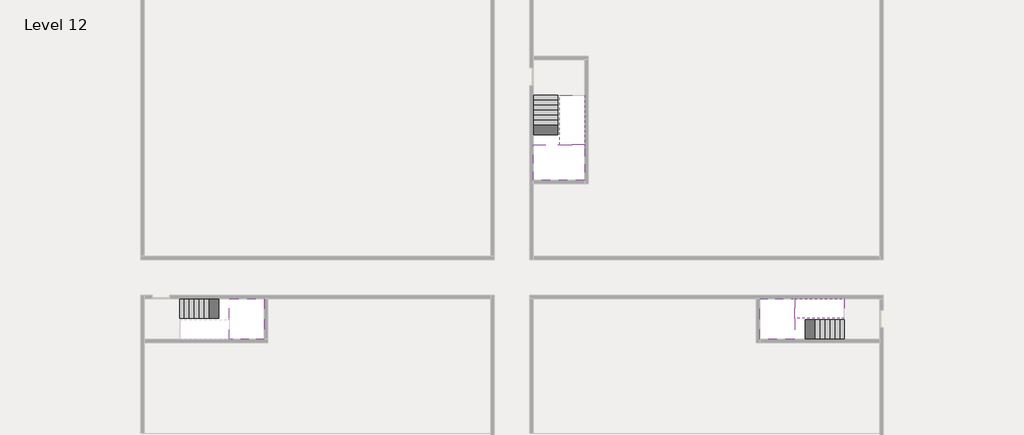
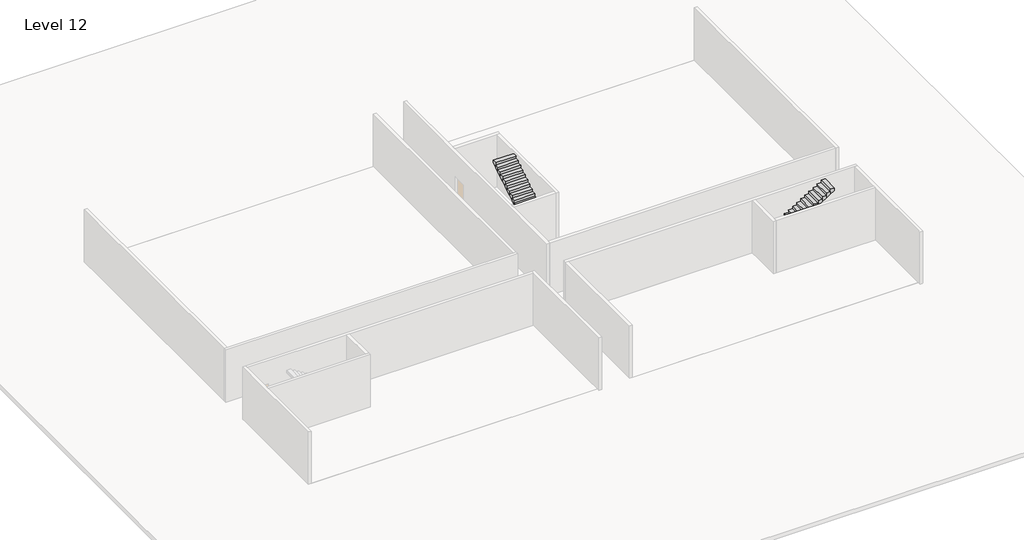
# One storey, part 2 of 2: 5 stair flights, 3 slabs.
"""IFC4 building model written with IfcOpenShell, lengths in millimetres."""

from ifc_helpers import new_model, si_unit, origin, place, context, project, spatial, faceted_brep, element, save

model = new_model("IFC4")

# Units and contexts
model_context = context("Model", 3, world=origin())
ifc_project = project(units=[si_unit("LENGTHUNIT", "METRE", prefix="MILLI")], contexts=[model_context])

# Site, building, storey
site = spatial("IfcSite", under=ifc_project)
building = spatial("IfcBuilding", under=site)
storey = spatial("IfcBuildingStorey", under=building, Name="Level 12", Elevation=41800.0)

# Slabs
placement = place(None, origin())
element("IfcSlab", 1, at=placement, inside=storey, context=model_context, shape_type="Brep", body=[
    faceted_brep([(8190.1058784, -42918.09644, 43700.0), (8190.1058784, -44018.09644, 43700.0), (8190.1058784, -44118.09644, 43700.0), (8190.1058784, -45218.09644, 43700.0), (8390.7194421, -45218.09644, 43700.0), (10190.1058784, -45218.09644, 43700.0), (10190.1058784, -42918.09644, 43700.0), (8269.4923146, -42918.09644, 43700.0), (8190.1058784, -42918.09644, 43527.2727273), (8190.1058784, -42918.09644, 43351.0278478), (8190.1058784, -44018.09644, 43351.0278478), (8190.1058784, -44018.09644, 43400.0), (8190.1058784, -44118.09644, 43400.0), (8190.1058784, -44118.09644, 43523.7551205), (8190.1058784, -45218.09644, 43523.7551205), (8390.7194421, -45218.09644, 43400.0), (10190.1058784, -45218.09644, 43400.0), (10190.1058784, -42918.09644, 43400.0), (8269.4923146, -42918.09644, 43400.0), (8390.7194421, -44118.09644, 43400.0), (8269.4923146, -44018.09644, 43400.0)], [[[0, 1, 2, 3, 4, 5, 6, 7]], [[1, 0, 8, 9, 10, 11]], [[2, 1, 11, 12, 13]], [[3, 2, 13, 14]], [[3, 14, 15, 16, 5, 4]], [[6, 5, 16, 17]], [[9, 8, 0, 7, 6, 17, 18]], [[19, 12, 11, 20, 18, 17, 16, 15]], [[12, 19, 13]], [[18, 20, 10, 9]], [[20, 11, 10]], [[19, 15, 14, 13]]]),
])
element("IfcSlab", 2, at=placement, inside=storey, context=model_context, shape_type="Brep", body=[
    faceted_brep([(40190.1058784, -45218.09644, 43700.0), (40190.1058784, -44118.09644, 43700.0), (40190.1058784, -44018.09644, 43700.0), (40190.1058784, -42918.09644, 43700.0), (39989.4923146, -42918.09644, 43700.0), (38190.1058784, -42918.09644, 43700.0), (38190.1058784, -45218.09644, 43700.0), (40110.7194421, -45218.09644, 43700.0), (40190.1058784, -45218.09644, 43527.2727273), (40190.1058784, -45218.09644, 43351.0278478), (40190.1058784, -44118.09644, 43351.0278478), (40190.1058784, -44118.09644, 43400.0), (40190.1058784, -44018.09644, 43400.0), (40190.1058784, -44018.09644, 43523.7551205), (40190.1058784, -42918.09644, 43523.7551205), (39989.4923146, -42918.09644, 43400.0), (38190.1058784, -42918.09644, 43400.0), (38190.1058784, -45218.09644, 43400.0), (40110.7194421, -45218.09644, 43400.0), (39989.4923146, -44018.09644, 43400.0), (40110.7194421, -44118.09644, 43400.0)], [[[0, 1, 2, 3, 4, 5, 6, 7]], [[1, 0, 8, 9, 10, 11]], [[2, 1, 11, 12, 13]], [[3, 2, 13, 14]], [[3, 14, 15, 16, 5, 4]], [[6, 5, 16, 17]], [[9, 8, 0, 7, 6, 17, 18]], [[19, 12, 11, 20, 18, 17, 16, 15]], [[12, 19, 13]], [[18, 20, 10, 9]], [[20, 11, 10]], [[19, 15, 14, 13]]]),
])
element("IfcSlab", 3, at=placement, inside=storey, context=model_context, shape_type="Brep", body=[
    faceted_brep([(26790.1058784, -34218.09644, 43700.0), (25390.1058784, -34218.09644, 43700.0), (25390.1058784, -34297.4828763, 43700.0), (25390.1058784, -36218.09644, 43700.0), (28290.1058784, -36218.09644, 43700.0), (28290.1058784, -34418.7100038, 43700.0), (28290.1058784, -34218.09644, 43700.0), (26890.1058784, -34218.09644, 43700.0), (26790.1058784, -34218.09644, 43400.0), (26790.1058784, -34218.09644, 43351.0278478), (25390.1058784, -34218.09644, 43351.0278478), (25390.1058784, -34218.09644, 43527.2727273), (25390.1058784, -34297.4828763, 43400.0), (25390.1058784, -36218.09644, 43400.0), (28290.1058784, -36218.09644, 43400.0), (28290.1058784, -34418.7100038, 43400.0), (28290.1058784, -34218.09644, 43523.7551205), (26890.1058784, -34218.09644, 43523.7551205), (26890.1058784, -34218.09644, 43400.0), (26890.1058784, -34418.7100038, 43400.0), (26790.1058784, -34297.4828763, 43400.0)], [[[0, 1, 2, 3, 4, 5, 6, 7]], [[1, 0, 8, 9, 10, 11]], [[1, 11, 10, 12, 13, 3, 2]], [[4, 3, 13, 14]], [[4, 14, 15, 16, 6, 5]], [[7, 6, 16, 17]], [[0, 7, 17, 18, 8]], [[18, 19, 15, 14, 13, 12, 20, 8]], [[19, 18, 17]], [[20, 12, 10, 9]], [[8, 20, 9]], [[15, 19, 17, 16]]]),
])

# Stair flights
element("IfcStairFlight", 4, at=placement, inside=storey, context=model_context, shape_type="Brep", body=[
    faceted_brep([(5670.1058784, -42918.09644, 41972.7272727), (5390.1058784, -42918.09644, 41972.7272727), (5390.1058784, -44018.09644, 41972.7272727), (5670.1058784, -44018.09644, 41972.7272727), (5670.1058784, -42918.09644, 41800.0), (5390.1058784, -42918.09644, 41800.0), (5390.1058784, -44018.09644, 41800.0), (5670.1058784, -44018.09644, 41800.0), (5950.1058784, -42918.09644, 42145.4545455), (5670.1058784, -42918.09644, 42145.4545455), (5670.1058784, -44018.09644, 42145.4545455), (5950.1058784, -44018.09644, 42145.4545455), (5950.1058784, -42918.09644, 41969.209666), (5675.8081041, -42918.09644, 41800.0), (5675.8081041, -44018.09644, 41800.0), (5950.1058784, -44018.09644, 41969.209666), (6230.1058784, -42918.09644, 42318.1818182), (5950.1058784, -42918.09644, 42318.1818182), (5950.1058784, -44018.09644, 42318.1818182), (6230.1058784, -44018.09644, 42318.1818182), (6230.1058784, -42918.09644, 42141.9369387), (6230.1058784, -44018.09644, 42141.9369387), (6510.1058784, -42918.09644, 42490.9090909), (6230.1058784, -42918.09644, 42490.9090909), (6230.1058784, -44018.09644, 42490.9090909), (6510.1058784, -44018.09644, 42490.9090909), (6510.1058784, -42918.09644, 42314.6642114), (6510.1058784, -44018.09644, 42314.6642114), (6790.1058784, -42918.09644, 42663.6363636), (6510.1058784, -42918.09644, 42663.6363636), (6510.1058784, -44018.09644, 42663.6363636), (6790.1058784, -44018.09644, 42663.6363636), (6790.1058784, -42918.09644, 42487.3914841), (6790.1058784, -44018.09644, 42487.3914841), (7070.1058784, -42918.09644, 42836.3636364), (6790.1058784, -42918.09644, 42836.3636364), (6790.1058784, -44018.09644, 42836.3636364), (7070.1058784, -44018.09644, 42836.3636364), (7070.1058784, -42918.09644, 42660.1187569), (7070.1058784, -44018.09644, 42660.1187569), (7350.1058784, -42918.09644, 43009.0909091), (7070.1058784, -42918.09644, 43009.0909091), (7070.1058784, -44018.09644, 43009.0909091), (7350.1058784, -44018.09644, 43009.0909091), (7350.1058784, -42918.09644, 42832.8460296), (7350.1058784, -44018.09644, 42832.8460296), (7630.1058784, -42918.09644, 43181.8181818), (7350.1058784, -42918.09644, 43181.8181818), (7350.1058784, -44018.09644, 43181.8181818), (7630.1058784, -44018.09644, 43181.8181818), (7630.1058784, -42918.09644, 43005.5733023), (7630.1058784, -44018.09644, 43005.5733023), (7910.1058784, -42918.09644, 43354.5454545), (7630.1058784, -42918.09644, 43354.5454545), (7630.1058784, -44018.09644, 43354.5454545), (7910.1058784, -44018.09644, 43354.5454545), (7910.1058784, -42918.09644, 43178.3005751), (7910.1058784, -44018.09644, 43178.3005751), (8190.1058784, -42918.09644, 43527.2727273), (7910.1058784, -42918.09644, 43527.2727273), (7910.1058784, -44018.09644, 43527.2727273), (8190.1058784, -44018.09644, 43527.2727273), (8190.1058784, -42918.09644, 43351.0278478), (8190.1058784, -44018.09644, 43351.0278478), (8190.1058784, -44018.09644, 43400.0)], [[[0, 1, 2, 3]], [[1, 0, 4, 5]], [[2, 1, 5, 6]], [[3, 2, 6, 7]], [[8, 9, 10, 11]], [[4, 0, 9, 8, 12, 13]], [[0, 3, 10, 9]], [[3, 7, 14, 15, 11, 10]], [[16, 17, 18, 19]], [[17, 16, 20, 12, 8]], [[8, 11, 18, 17]], [[19, 18, 11, 15, 21]], [[22, 23, 24, 25]], [[23, 22, 26, 20, 16]], [[16, 19, 24, 23]], [[25, 24, 19, 21, 27]], [[28, 29, 30, 31]], [[29, 28, 32, 26, 22]], [[22, 25, 30, 29]], [[31, 30, 25, 27, 33]], [[34, 35, 36, 37]], [[35, 34, 38, 32, 28]], [[28, 31, 36, 35]], [[37, 36, 31, 33, 39]], [[40, 41, 42, 43]], [[41, 40, 44, 38, 34]], [[34, 37, 42, 41]], [[43, 42, 37, 39, 45]], [[46, 47, 48, 49]], [[47, 46, 50, 44, 40]], [[40, 43, 48, 47]], [[49, 48, 43, 45, 51]], [[52, 53, 54, 55]], [[53, 52, 56, 50, 46]], [[46, 49, 54, 53]], [[55, 54, 49, 51, 57]], [[58, 59, 60, 61]], [[59, 58, 62, 56, 52]], [[52, 55, 60, 59]], [[61, 60, 55, 57, 63, 64]], [[58, 61, 64, 63, 62]], [[5, 4, 13, 14, 7, 6]], [[14, 13, 12, 20, 26, 32, 38, 44, 50, 56, 62, 63, 57, 51, 45, 39, 33, 27, 21, 15]]]),
])
element("IfcStairFlight", 5, at=placement, inside=storey, context=model_context, shape_type="Brep", body=[
    faceted_brep([(42710.1058784, -45218.09644, 41972.7272727), (42990.1058784, -45218.09644, 41972.7272727), (42990.1058784, -44118.09644, 41972.7272727), (42710.1058784, -44118.09644, 41972.7272727), (42710.1058784, -45218.09644, 41800.0), (42990.1058784, -45218.09644, 41800.0), (42990.1058784, -44118.09644, 41800.0), (42710.1058784, -44118.09644, 41800.0), (42430.1058784, -45218.09644, 42145.4545455), (42710.1058784, -45218.09644, 42145.4545455), (42710.1058784, -44118.09644, 42145.4545455), (42430.1058784, -44118.09644, 42145.4545455), (42430.1058784, -45218.09644, 41969.209666), (42704.4036527, -45218.09644, 41800.0), (42704.4036527, -44118.09644, 41800.0), (42430.1058784, -44118.09644, 41969.209666), (42150.1058784, -45218.09644, 42318.1818182), (42430.1058784, -45218.09644, 42318.1818182), (42430.1058784, -44118.09644, 42318.1818182), (42150.1058784, -44118.09644, 42318.1818182), (42150.1058784, -45218.09644, 42141.9369387), (42150.1058784, -44118.09644, 42141.9369387), (41870.1058784, -45218.09644, 42490.9090909), (42150.1058784, -45218.09644, 42490.9090909), (42150.1058784, -44118.09644, 42490.9090909), (41870.1058784, -44118.09644, 42490.9090909), (41870.1058784, -45218.09644, 42314.6642114), (41870.1058784, -44118.09644, 42314.6642114), (41590.1058784, -45218.09644, 42663.6363636), (41870.1058784, -45218.09644, 42663.6363636), (41870.1058784, -44118.09644, 42663.6363636), (41590.1058784, -44118.09644, 42663.6363636), (41590.1058784, -45218.09644, 42487.3914841), (41590.1058784, -44118.09644, 42487.3914841), (41310.1058784, -45218.09644, 42836.3636364), (41590.1058784, -45218.09644, 42836.3636364), (41590.1058784, -44118.09644, 42836.3636364), (41310.1058784, -44118.09644, 42836.3636364), (41310.1058784, -45218.09644, 42660.1187569), (41310.1058784, -44118.09644, 42660.1187569), (41030.1058784, -45218.09644, 43009.0909091), (41310.1058784, -45218.09644, 43009.0909091), (41310.1058784, -44118.09644, 43009.0909091), (41030.1058784, -44118.09644, 43009.0909091), (41030.1058784, -45218.09644, 42832.8460296), (41030.1058784, -44118.09644, 42832.8460296), (40750.1058784, -45218.09644, 43181.8181818), (41030.1058784, -45218.09644, 43181.8181818), (41030.1058784, -44118.09644, 43181.8181818), (40750.1058784, -44118.09644, 43181.8181818), (40750.1058784, -45218.09644, 43005.5733023), (40750.1058784, -44118.09644, 43005.5733023), (40470.1058784, -45218.09644, 43354.5454545), (40750.1058784, -45218.09644, 43354.5454545), (40750.1058784, -44118.09644, 43354.5454545), (40470.1058784, -44118.09644, 43354.5454545), (40470.1058784, -45218.09644, 43178.3005751), (40470.1058784, -44118.09644, 43178.3005751), (40190.1058784, -45218.09644, 43527.2727273), (40470.1058784, -45218.09644, 43527.2727273), (40470.1058784, -44118.09644, 43527.2727273), (40190.1058784, -44118.09644, 43527.2727273), (40190.1058784, -45218.09644, 43351.0278478), (40190.1058784, -44118.09644, 43351.0278478), (40190.1058784, -44118.09644, 43400.0)], [[[0, 1, 2, 3]], [[1, 0, 4, 5]], [[2, 1, 5, 6]], [[3, 2, 6, 7]], [[8, 9, 10, 11]], [[4, 0, 9, 8, 12, 13]], [[0, 3, 10, 9]], [[3, 7, 14, 15, 11, 10]], [[16, 17, 18, 19]], [[17, 16, 20, 12, 8]], [[8, 11, 18, 17]], [[19, 18, 11, 15, 21]], [[22, 23, 24, 25]], [[23, 22, 26, 20, 16]], [[16, 19, 24, 23]], [[25, 24, 19, 21, 27]], [[28, 29, 30, 31]], [[29, 28, 32, 26, 22]], [[22, 25, 30, 29]], [[31, 30, 25, 27, 33]], [[34, 35, 36, 37]], [[35, 34, 38, 32, 28]], [[28, 31, 36, 35]], [[37, 36, 31, 33, 39]], [[40, 41, 42, 43]], [[41, 40, 44, 38, 34]], [[34, 37, 42, 41]], [[43, 42, 37, 39, 45]], [[46, 47, 48, 49]], [[47, 46, 50, 44, 40]], [[40, 43, 48, 47]], [[49, 48, 43, 45, 51]], [[52, 53, 54, 55]], [[53, 52, 56, 50, 46]], [[46, 49, 54, 53]], [[55, 54, 49, 51, 57]], [[58, 59, 60, 61]], [[59, 58, 62, 56, 52]], [[52, 55, 60, 59]], [[61, 60, 55, 57, 63, 64]], [[58, 61, 64, 63, 62]], [[5, 4, 13, 14, 7, 6]], [[14, 13, 12, 20, 26, 32, 38, 44, 50, 56, 62, 63, 57, 51, 45, 39, 33, 27, 21, 15]]]),
])
element("IfcStairFlight", 6, at=placement, inside=storey, context=model_context, shape_type="Brep", body=[
    faceted_brep([(40470.1058784, -42918.09644, 43872.7272727), (40190.1058784, -42918.09644, 43872.7272727), (40190.1058784, -44018.09644, 43872.7272727), (40470.1058784, -44018.09644, 43872.7272727), (40470.1058784, -42918.09644, 43696.4823932), (40190.1058784, -42918.09644, 43523.7551205), (40190.1058784, -42918.09644, 43700.0), (40190.1058784, -44018.09644, 43523.7551205), (40470.1058784, -44018.09644, 43696.4823932), (40750.1058784, -42918.09644, 44045.4545455), (40470.1058784, -42918.09644, 44045.4545455), (40470.1058784, -44018.09644, 44045.4545455), (40750.1058784, -44018.09644, 44045.4545455), (40750.1058784, -42918.09644, 43869.209666), (40750.1058784, -44018.09644, 43869.209666), (41030.1058784, -42918.09644, 44218.1818182), (40750.1058784, -42918.09644, 44218.1818182), (40750.1058784, -44018.09644, 44218.1818182), (41030.1058784, -44018.09644, 44218.1818182), (41030.1058784, -42918.09644, 44041.9369387), (41030.1058784, -44018.09644, 44041.9369387), (41310.1058784, -42918.09644, 44390.9090909), (41030.1058784, -42918.09644, 44390.9090909), (41030.1058784, -44018.09644, 44390.9090909), (41310.1058784, -44018.09644, 44390.9090909), (41310.1058784, -42918.09644, 44214.6642114), (41310.1058784, -44018.09644, 44214.6642114), (41590.1058784, -42918.09644, 44563.6363636), (41310.1058784, -42918.09644, 44563.6363636), (41310.1058784, -44018.09644, 44563.6363636), (41590.1058784, -44018.09644, 44563.6363636), (41590.1058784, -42918.09644, 44387.3914841), (41590.1058784, -44018.09644, 44387.3914841), (41870.1058784, -42918.09644, 44736.3636364), (41590.1058784, -42918.09644, 44736.3636364), (41590.1058784, -44018.09644, 44736.3636364), (41870.1058784, -44018.09644, 44736.3636364), (41870.1058784, -42918.09644, 44560.1187569), (41870.1058784, -44018.09644, 44560.1187569), (42150.1058784, -42918.09644, 44909.0909091), (41870.1058784, -42918.09644, 44909.0909091), (41870.1058784, -44018.09644, 44909.0909091), (42150.1058784, -44018.09644, 44909.0909091), (42150.1058784, -42918.09644, 44732.8460296), (42150.1058784, -44018.09644, 44732.8460296), (42430.1058784, -42918.09644, 45081.8181818), (42150.1058784, -42918.09644, 45081.8181818), (42150.1058784, -44018.09644, 45081.8181818), (42430.1058784, -44018.09644, 45081.8181818), (42430.1058784, -42918.09644, 44905.5733023), (42430.1058784, -44018.09644, 44905.5733023), (42710.1058784, -42918.09644, 45254.5454545), (42430.1058784, -42918.09644, 45254.5454545), (42430.1058784, -44018.09644, 45254.5454545), (42710.1058784, -44018.09644, 45254.5454545), (42710.1058784, -42918.09644, 45078.3005751), (42710.1058784, -44018.09644, 45078.3005751), (42990.1058784, -42918.09644, 45427.2727273), (42710.1058784, -42918.09644, 45427.2727273), (42710.1058784, -44018.09644, 45427.2727273), (42990.1058784, -44018.09644, 45427.2727273), (42990.1058784, -42918.09644, 45251.0278478), (42990.1058784, -44018.09644, 45251.0278478)], [[[0, 1, 2, 3]], [[1, 0, 4, 5, 6]], [[2, 1, 6, 5, 7]], [[3, 2, 7, 8]], [[9, 10, 11, 12]], [[10, 9, 13, 4, 0]], [[11, 10, 0, 3]], [[12, 11, 3, 8, 14]], [[15, 16, 17, 18]], [[16, 15, 19, 13, 9]], [[17, 16, 9, 12]], [[18, 17, 12, 14, 20]], [[21, 22, 23, 24]], [[22, 21, 25, 19, 15]], [[23, 22, 15, 18]], [[24, 23, 18, 20, 26]], [[27, 28, 29, 30]], [[28, 27, 31, 25, 21]], [[29, 28, 21, 24]], [[30, 29, 24, 26, 32]], [[33, 34, 35, 36]], [[34, 33, 37, 31, 27]], [[35, 34, 27, 30]], [[36, 35, 30, 32, 38]], [[39, 40, 41, 42]], [[40, 39, 43, 37, 33]], [[41, 40, 33, 36]], [[42, 41, 36, 38, 44]], [[45, 46, 47, 48]], [[46, 45, 49, 43, 39]], [[47, 46, 39, 42]], [[48, 47, 42, 44, 50]], [[51, 52, 53, 54]], [[52, 51, 55, 49, 45]], [[53, 52, 45, 48]], [[54, 53, 48, 50, 56]], [[57, 58, 59, 60]], [[58, 57, 61, 55, 51]], [[59, 58, 51, 54]], [[60, 59, 54, 56, 62]], [[57, 60, 62, 61]], [[5, 4, 13, 19, 25, 31, 37, 43, 49, 55, 61, 62, 56, 50, 44, 38, 32, 26, 20, 14, 8, 7]]]),
])
element("IfcStairFlight", 7, at=placement, inside=storey, context=model_context, shape_type="Brep", body=[
    faceted_brep([(26790.1058784, -31698.09644, 41972.7272727), (26790.1058784, -31418.09644, 41972.7272727), (25390.1058784, -31418.09644, 41972.7272727), (25390.1058784, -31698.09644, 41972.7272727), (26790.1058784, -31698.09644, 41800.0), (26790.1058784, -31418.09644, 41800.0), (25390.1058784, -31418.09644, 41800.0), (25390.1058784, -31698.09644, 41800.0), (26790.1058784, -31978.09644, 42145.4545455), (26790.1058784, -31698.09644, 42145.4545455), (25390.1058784, -31698.09644, 42145.4545455), (25390.1058784, -31978.09644, 42145.4545455), (26790.1058784, -31978.09644, 41969.209666), (26790.1058784, -31703.7986657, 41800.0), (25390.1058784, -31703.7986657, 41800.0), (25390.1058784, -31978.09644, 41969.209666), (26790.1058784, -32258.09644, 42318.1818182), (26790.1058784, -31978.09644, 42318.1818182), (25390.1058784, -31978.09644, 42318.1818182), (25390.1058784, -32258.09644, 42318.1818182), (26790.1058784, -32258.09644, 42141.9369387), (25390.1058784, -32258.09644, 42141.9369387), (26790.1058784, -32538.09644, 42490.9090909), (26790.1058784, -32258.09644, 42490.9090909), (25390.1058784, -32258.09644, 42490.9090909), (25390.1058784, -32538.09644, 42490.9090909), (26790.1058784, -32538.09644, 42314.6642114), (25390.1058784, -32538.09644, 42314.6642114), (26790.1058784, -32818.09644, 42663.6363636), (26790.1058784, -32538.09644, 42663.6363636), (25390.1058784, -32538.09644, 42663.6363636), (25390.1058784, -32818.09644, 42663.6363636), (26790.1058784, -32818.09644, 42487.3914841), (25390.1058784, -32818.09644, 42487.3914841), (26790.1058784, -33098.09644, 42836.3636364), (26790.1058784, -32818.09644, 42836.3636364), (25390.1058784, -32818.09644, 42836.3636364), (25390.1058784, -33098.09644, 42836.3636364), (26790.1058784, -33098.09644, 42660.1187569), (25390.1058784, -33098.09644, 42660.1187569), (26790.1058784, -33378.09644, 43009.0909091), (26790.1058784, -33098.09644, 43009.0909091), (25390.1058784, -33098.09644, 43009.0909091), (25390.1058784, -33378.09644, 43009.0909091), (26790.1058784, -33378.09644, 42832.8460296), (25390.1058784, -33378.09644, 42832.8460296), (26790.1058784, -33658.09644, 43181.8181818), (26790.1058784, -33378.09644, 43181.8181818), (25390.1058784, -33378.09644, 43181.8181818), (25390.1058784, -33658.09644, 43181.8181818), (26790.1058784, -33658.09644, 43005.5733023), (25390.1058784, -33658.09644, 43005.5733023), (26790.1058784, -33938.09644, 43354.5454545), (26790.1058784, -33658.09644, 43354.5454545), (25390.1058784, -33658.09644, 43354.5454545), (25390.1058784, -33938.09644, 43354.5454545), (26790.1058784, -33938.09644, 43178.3005751), (25390.1058784, -33938.09644, 43178.3005751), (26790.1058784, -34218.09644, 43527.2727273), (26790.1058784, -33938.09644, 43527.2727273), (25390.1058784, -33938.09644, 43527.2727273), (25390.1058784, -34218.09644, 43527.2727273), (26790.1058784, -34218.09644, 43400.0), (26790.1058784, -34218.09644, 43351.0278478), (25390.1058784, -34218.09644, 43351.0278478)], [[[0, 1, 2, 3]], [[1, 0, 4, 5]], [[2, 1, 5, 6]], [[3, 2, 6, 7]], [[8, 9, 10, 11]], [[4, 0, 9, 8, 12, 13]], [[0, 3, 10, 9]], [[3, 7, 14, 15, 11, 10]], [[16, 17, 18, 19]], [[17, 16, 20, 12, 8]], [[8, 11, 18, 17]], [[19, 18, 11, 15, 21]], [[22, 23, 24, 25]], [[23, 22, 26, 20, 16]], [[16, 19, 24, 23]], [[25, 24, 19, 21, 27]], [[28, 29, 30, 31]], [[29, 28, 32, 26, 22]], [[22, 25, 30, 29]], [[31, 30, 25, 27, 33]], [[34, 35, 36, 37]], [[35, 34, 38, 32, 28]], [[28, 31, 36, 35]], [[37, 36, 31, 33, 39]], [[40, 41, 42, 43]], [[41, 40, 44, 38, 34]], [[34, 37, 42, 41]], [[43, 42, 37, 39, 45]], [[46, 47, 48, 49]], [[47, 46, 50, 44, 40]], [[40, 43, 48, 47]], [[49, 48, 43, 45, 51]], [[52, 53, 54, 55]], [[53, 52, 56, 50, 46]], [[46, 49, 54, 53]], [[55, 54, 49, 51, 57]], [[58, 59, 60, 61]], [[59, 58, 62, 63, 56, 52]], [[52, 55, 60, 59]], [[61, 60, 55, 57, 64]], [[58, 61, 64, 63, 62]], [[5, 4, 13, 14, 7, 6]], [[14, 13, 12, 20, 26, 32, 38, 44, 50, 56, 63, 64, 57, 51, 45, 39, 33, 27, 21, 15]]]),
])
element("IfcStairFlight", 8, at=placement, inside=storey, context=model_context, shape_type="Brep", body=[
    faceted_brep([(26890.1058784, -33938.09644, 43872.7272727), (26890.1058784, -34218.09644, 43872.7272727), (28290.1058784, -34218.09644, 43872.7272727), (28290.1058784, -33938.09644, 43872.7272727), (26890.1058784, -33938.09644, 43696.4823932), (26890.1058784, -34218.09644, 43523.7551205), (28290.1058784, -34218.09644, 43523.7551205), (28290.1058784, -34218.09644, 43700.0), (28290.1058784, -33938.09644, 43696.4823932), (26890.1058784, -33658.09644, 44045.4545455), (26890.1058784, -33938.09644, 44045.4545455), (28290.1058784, -33938.09644, 44045.4545455), (28290.1058784, -33658.09644, 44045.4545455), (26890.1058784, -33658.09644, 43869.209666), (28290.1058784, -33658.09644, 43869.209666), (26890.1058784, -33378.09644, 44218.1818182), (26890.1058784, -33658.09644, 44218.1818182), (28290.1058784, -33658.09644, 44218.1818182), (28290.1058784, -33378.09644, 44218.1818182), (26890.1058784, -33378.09644, 44041.9369387), (28290.1058784, -33378.09644, 44041.9369387), (26890.1058784, -33098.09644, 44390.9090909), (26890.1058784, -33378.09644, 44390.9090909), (28290.1058784, -33378.09644, 44390.9090909), (28290.1058784, -33098.09644, 44390.9090909), (26890.1058784, -33098.09644, 44214.6642114), (28290.1058784, -33098.09644, 44214.6642114), (26890.1058784, -32818.09644, 44563.6363636), (26890.1058784, -33098.09644, 44563.6363636), (28290.1058784, -33098.09644, 44563.6363636), (28290.1058784, -32818.09644, 44563.6363636), (26890.1058784, -32818.09644, 44387.3914841), (28290.1058784, -32818.09644, 44387.3914841), (26890.1058784, -32538.09644, 44736.3636364), (26890.1058784, -32818.09644, 44736.3636364), (28290.1058784, -32818.09644, 44736.3636364), (28290.1058784, -32538.09644, 44736.3636364), (26890.1058784, -32538.09644, 44560.1187569), (28290.1058784, -32538.09644, 44560.1187569), (26890.1058784, -32258.09644, 44909.0909091), (26890.1058784, -32538.09644, 44909.0909091), (28290.1058784, -32538.09644, 44909.0909091), (28290.1058784, -32258.09644, 44909.0909091), (26890.1058784, -32258.09644, 44732.8460296), (28290.1058784, -32258.09644, 44732.8460296), (26890.1058784, -31978.09644, 45081.8181818), (26890.1058784, -32258.09644, 45081.8181818), (28290.1058784, -32258.09644, 45081.8181818), (28290.1058784, -31978.09644, 45081.8181818), (26890.1058784, -31978.09644, 44905.5733023), (28290.1058784, -31978.09644, 44905.5733023), (26890.1058784, -31698.09644, 45254.5454545), (26890.1058784, -31978.09644, 45254.5454545), (28290.1058784, -31978.09644, 45254.5454545), (28290.1058784, -31698.09644, 45254.5454545), (26890.1058784, -31698.09644, 45078.3005751), (28290.1058784, -31698.09644, 45078.3005751), (26890.1058784, -31418.09644, 45427.2727273), (26890.1058784, -31698.09644, 45427.2727273), (28290.1058784, -31698.09644, 45427.2727273), (28290.1058784, -31418.09644, 45427.2727273), (26890.1058784, -31418.09644, 45251.0278478), (28290.1058784, -31418.09644, 45251.0278478)], [[[0, 1, 2, 3]], [[1, 0, 4, 5]], [[2, 1, 5, 6, 7]], [[3, 2, 7, 6, 8]], [[9, 10, 11, 12]], [[10, 9, 13, 4, 0]], [[11, 10, 0, 3]], [[12, 11, 3, 8, 14]], [[15, 16, 17, 18]], [[16, 15, 19, 13, 9]], [[17, 16, 9, 12]], [[18, 17, 12, 14, 20]], [[21, 22, 23, 24]], [[22, 21, 25, 19, 15]], [[23, 22, 15, 18]], [[24, 23, 18, 20, 26]], [[27, 28, 29, 30]], [[28, 27, 31, 25, 21]], [[29, 28, 21, 24]], [[30, 29, 24, 26, 32]], [[33, 34, 35, 36]], [[34, 33, 37, 31, 27]], [[35, 34, 27, 30]], [[36, 35, 30, 32, 38]], [[39, 40, 41, 42]], [[40, 39, 43, 37, 33]], [[41, 40, 33, 36]], [[42, 41, 36, 38, 44]], [[45, 46, 47, 48]], [[46, 45, 49, 43, 39]], [[47, 46, 39, 42]], [[48, 47, 42, 44, 50]], [[51, 52, 53, 54]], [[52, 51, 55, 49, 45]], [[53, 52, 45, 48]], [[54, 53, 48, 50, 56]], [[57, 58, 59, 60]], [[58, 57, 61, 55, 51]], [[59, 58, 51, 54]], [[60, 59, 54, 56, 62]], [[57, 60, 62, 61]], [[5, 4, 13, 19, 25, 31, 37, 43, 49, 55, 61, 62, 56, 50, 44, 38, 32, 26, 20, 14, 8, 6]]]),
])

save(model, "model.ifc")
